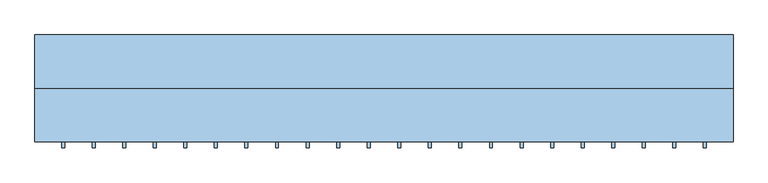
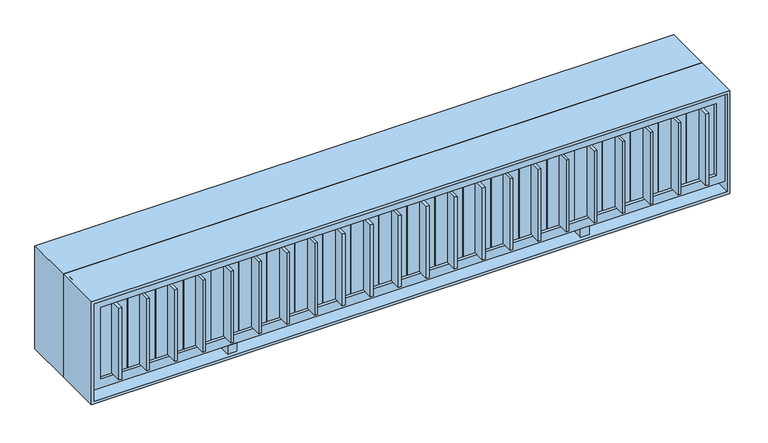
"""IFC4 building model written with IfcOpenShell, lengths in millimetres: window geometry."""

from ifc_helpers import new_model, si_unit, frame, origin, place, context, project, spatial, polyline, outline, extrude, source, transform, mapped, element, save


def window_4b8f0253(model_context):
    return source(origin(), model_context, "Body", "SweptSolid", [
        extrude(outline(polyline([(1630.2272727, -424.65), (1615.2272727, -424.65), (1615.2272727, -275.35), (1630.2272727, -275.35), (1630.2272727, -424.65)])), frame((0.0, 0.0, 915.0), z_axis=(0.0, 0.0, 1.0), x_axis=(1.0, 0.0, 0.0)), (0.0, 0.0, 1.0), 420.0),
        extrude(outline(polyline([(1475.6818182, -424.65), (1460.6818182, -424.65), (1460.6818182, -275.35), (1475.6818182, -275.35), (1475.6818182, -424.65)])), frame((0.0, 0.0, 915.0), z_axis=(0.0, 0.0, 1.0), x_axis=(1.0, 0.0, 0.0)), (0.0, 0.0, 1.0), 420.0),
        extrude(outline(polyline([(1321.1363636, -424.65), (1306.1363636, -424.65), (1306.1363636, -275.35), (1321.1363636, -275.35), (1321.1363636, -424.65)])), frame((0.0, 0.0, 915.0), z_axis=(0.0, 0.0, 1.0), x_axis=(1.0, 0.0, 0.0)), (0.0, 0.0, 1.0), 420.0),
        extrude(outline(polyline([(1166.5909091, -424.65), (1151.5909091, -424.65), (1151.5909091, -275.35), (1166.5909091, -275.35), (1166.5909091, -424.65)])), frame((0.0, 0.0, 915.0), z_axis=(0.0, 0.0, 1.0), x_axis=(1.0, 0.0, 0.0)), (0.0, 0.0, 1.0), 420.0),
        extrude(outline(polyline([(1012.0454545, -424.65), (997.0454545, -424.65), (997.0454545, -275.35), (1012.0454545, -275.35), (1012.0454545, -424.65)])), frame((0.0, 0.0, 915.0), z_axis=(0.0, 0.0, 1.0), x_axis=(1.0, 0.0, 0.0)), (0.0, 0.0, 1.0), 420.0),
        extrude(outline(polyline([(857.5, -424.65), (842.5, -424.65), (842.5, -275.35), (857.5, -275.35), (857.5, -424.65)])), frame((0.0, 0.0, 915.0), z_axis=(0.0, 0.0, 1.0), x_axis=(1.0, 0.0, 0.0)), (0.0, 0.0, 1.0), 420.0),
        extrude(outline(polyline([(702.9545455, -424.65), (687.9545455, -424.65), (687.9545455, -275.35), (702.9545455, -275.35), (702.9545455, -424.65)])), frame((0.0, 0.0, 915.0), z_axis=(0.0, 0.0, 1.0), x_axis=(1.0, 0.0, 0.0)), (0.0, 0.0, 1.0), 420.0),
        extrude(outline(polyline([(548.4090909, -424.65), (533.4090909, -424.65), (533.4090909, -275.35), (548.4090909, -275.35), (548.4090909, -424.65)])), frame((0.0, 0.0, 915.0), z_axis=(0.0, 0.0, 1.0), x_axis=(1.0, 0.0, 0.0)), (0.0, 0.0, 1.0), 420.0),
        extrude(outline(polyline([(393.8636364, -424.65), (378.8636364, -424.65), (378.8636364, -275.35), (393.8636364, -275.35), (393.8636364, -424.65)])), frame((0.0, 0.0, 915.0), z_axis=(0.0, 0.0, 1.0), x_axis=(1.0, 0.0, 0.0)), (0.0, 0.0, 1.0), 420.0),
        extrude(outline(polyline([(239.3181818, -424.65), (224.3181818, -424.65), (224.3181818, -275.35), (239.3181818, -275.35), (239.3181818, -424.65)])), frame((0.0, 0.0, 915.0), z_axis=(0.0, 0.0, 1.0), x_axis=(1.0, 0.0, 0.0)), (0.0, 0.0, 1.0), 420.0),
        extrude(outline(polyline([(84.7727273, -424.65), (69.7727273, -424.65), (69.7727273, -275.35), (84.7727273, -275.35), (84.7727273, -424.65)])), frame((0.0, 0.0, 915.0), z_axis=(0.0, 0.0, 1.0), x_axis=(1.0, 0.0, 0.0)), (0.0, 0.0, 1.0), 420.0),
        extrude(outline(polyline([(-69.7727273, -424.65), (-84.7727273, -424.65), (-84.7727273, -275.35), (-69.7727273, -275.35), (-69.7727273, -424.65)])), frame((0.0, 0.0, 915.0), z_axis=(0.0, 0.0, 1.0), x_axis=(1.0, 0.0, 0.0)), (0.0, 0.0, 1.0), 420.0),
        extrude(outline(polyline([(-224.3181818, -424.65), (-239.3181818, -424.65), (-239.3181818, -275.35), (-224.3181818, -275.35), (-224.3181818, -424.65)])), frame((0.0, 0.0, 915.0), z_axis=(0.0, 0.0, 1.0), x_axis=(1.0, 0.0, 0.0)), (0.0, 0.0, 1.0), 420.0),
        extrude(outline(polyline([(-378.8636364, -424.65), (-393.8636364, -424.65), (-393.8636364, -275.35), (-378.8636364, -275.35), (-378.8636364, -424.65)])), frame((0.0, 0.0, 915.0), z_axis=(0.0, 0.0, 1.0), x_axis=(1.0, 0.0, 0.0)), (0.0, 0.0, 1.0), 420.0),
        extrude(outline(polyline([(-533.4090909, -424.65), (-548.4090909, -424.65), (-548.4090909, -275.35), (-533.4090909, -275.35), (-533.4090909, -424.65)])), frame((0.0, 0.0, 915.0), z_axis=(0.0, 0.0, 1.0), x_axis=(1.0, 0.0, 0.0)), (0.0, 0.0, 1.0), 420.0),
        extrude(outline(polyline([(-687.9545455, -424.65), (-702.9545455, -424.65), (-702.9545455, -275.35), (-687.9545455, -275.35), (-687.9545455, -424.65)])), frame((0.0, 0.0, 915.0), z_axis=(0.0, 0.0, 1.0), x_axis=(1.0, 0.0, 0.0)), (0.0, 0.0, 1.0), 420.0),
        extrude(outline(polyline([(-842.5, -424.65), (-857.5, -424.65), (-857.5, -275.35), (-842.5, -275.35), (-842.5, -424.65)])), frame((0.0, 0.0, 915.0), z_axis=(0.0, 0.0, 1.0), x_axis=(1.0, 0.0, 0.0)), (0.0, 0.0, 1.0), 420.0),
        extrude(outline(polyline([(-997.0454545, -424.65), (-1012.0454545, -424.65), (-1012.0454545, -275.35), (-997.0454545, -275.35), (-997.0454545, -424.65)])), frame((0.0, 0.0, 915.0), z_axis=(0.0, 0.0, 1.0), x_axis=(1.0, 0.0, 0.0)), (0.0, 0.0, 1.0), 420.0),
        extrude(outline(polyline([(-1151.5909091, -424.65), (-1166.5909091, -424.65), (-1166.5909091, -275.35), (-1151.5909091, -275.35), (-1151.5909091, -424.65)])), frame((0.0, 0.0, 915.0), z_axis=(0.0, 0.0, 1.0), x_axis=(1.0, 0.0, 0.0)), (0.0, 0.0, 1.0), 420.0),
        extrude(outline(polyline([(-1306.1363636, -424.65), (-1321.1363636, -424.65), (-1321.1363636, -275.35), (-1306.1363636, -275.35), (-1306.1363636, -424.65)])), frame((0.0, 0.0, 915.0), z_axis=(0.0, 0.0, 1.0), x_axis=(1.0, 0.0, 0.0)), (0.0, 0.0, 1.0), 420.0),
        extrude(outline(polyline([(-1460.6818182, -424.65), (-1475.6818182, -424.65), (-1475.6818182, -275.35), (-1460.6818182, -275.35), (-1460.6818182, -424.65)])), frame((0.0, 0.0, 915.0), z_axis=(0.0, 0.0, 1.0), x_axis=(1.0, 0.0, 0.0)), (0.0, 0.0, 1.0), 420.0),
        extrude(outline(polyline([(-1615.2272727, -424.65), (-1630.2272727, -424.65), (-1630.2272727, -275.35), (-1615.2272727, -275.35), (-1615.2272727, -424.65)])), frame((0.0, 0.0, 915.0), z_axis=(0.0, 0.0, 1.0), x_axis=(1.0, 0.0, 0.0)), (0.0, 0.0, 1.0), 420.0),
        extrude(outline(polyline([(-950.0, -325.0), (-950.0, -375.0), (-1000.0, -375.0), (-1000.0, -325.0), (-950.0, -325.0)])), frame((0.0, 0.0, 815.0), z_axis=(0.0, 0.0, 1.0), x_axis=(1.0, 0.0, 0.0)), (0.0, 0.0, 1.0), 50.0),
        extrude(outline(polyline([(1000.0, -325.0), (1000.0, -375.0), (950.0, -375.0), (950.0, -325.0), (1000.0, -325.0)])), frame((0.0, 0.0, 815.0), z_axis=(0.0, 0.0, 1.0), x_axis=(1.0, 0.0, 0.0)), (0.0, 0.0, 1.0), 50.0),
        extrude(outline(polyline([(1385.0, 1750.0), (1385.0, -1750.0), (865.0, -1750.0), (865.0, 1750.0), (1385.0, 1750.0)]), holes=[polyline([(1335.0, 1700.0), (915.0, 1700.0), (915.0, -1700.0), (1335.0, -1700.0), (1335.0, 1700.0)])]), frame((0.0, -375.0, 0.0), z_axis=(0.0, 1.0, 0.0), x_axis=(0.0, 0.0, 1.0)), (0.0, 0.0, 1.0), 50.0),
        extrude(outline(polyline([(1697.3772727, -357.5), (1548.0772727, -357.5), (1548.0772727, -342.5), (1697.3772727, -342.5), (1697.3772727, -357.5)])), frame((0.0, 0.0, 915.0), z_axis=(0.0, 0.0, 1.0), x_axis=(1.0, 0.0, 0.0)), (0.0, 0.0, 1.0), 420.0),
        extrude(outline(polyline([(1542.8318182, -357.5), (1393.5318182, -357.5), (1393.5318182, -342.5), (1542.8318182, -342.5), (1542.8318182, -357.5)])), frame((0.0, 0.0, 915.0), z_axis=(0.0, 0.0, 1.0), x_axis=(1.0, 0.0, 0.0)), (0.0, 0.0, 1.0), 420.0),
        extrude(outline(polyline([(1388.2863636, -357.5), (1238.9863636, -357.5), (1238.9863636, -342.5), (1388.2863636, -342.5), (1388.2863636, -357.5)])), frame((0.0, 0.0, 915.0), z_axis=(0.0, 0.0, 1.0), x_axis=(1.0, 0.0, 0.0)), (0.0, 0.0, 1.0), 420.0),
        extrude(outline(polyline([(1233.7409091, -357.5), (1084.4409091, -357.5), (1084.4409091, -342.5), (1233.7409091, -342.5), (1233.7409091, -357.5)])), frame((0.0, 0.0, 915.0), z_axis=(0.0, 0.0, 1.0), x_axis=(1.0, 0.0, 0.0)), (0.0, 0.0, 1.0), 420.0),
        extrude(outline(polyline([(1079.1954545, -357.5), (929.8954545, -357.5), (929.8954545, -342.5), (1079.1954545, -342.5), (1079.1954545, -357.5)])), frame((0.0, 0.0, 915.0), z_axis=(0.0, 0.0, 1.0), x_axis=(1.0, 0.0, 0.0)), (0.0, 0.0, 1.0), 420.0),
        extrude(outline(polyline([(924.65, -357.5), (775.35, -357.5), (775.35, -342.5), (924.65, -342.5), (924.65, -357.5)])), frame((0.0, 0.0, 915.0), z_axis=(0.0, 0.0, 1.0), x_axis=(1.0, 0.0, 0.0)), (0.0, 0.0, 1.0), 420.0),
        extrude(outline(polyline([(770.1045455, -357.5), (620.8045455, -357.5), (620.8045455, -342.5), (770.1045455, -342.5), (770.1045455, -357.5)])), frame((0.0, 0.0, 915.0), z_axis=(0.0, 0.0, 1.0), x_axis=(1.0, 0.0, 0.0)), (0.0, 0.0, 1.0), 420.0),
        extrude(outline(polyline([(615.5590909, -357.5), (466.2590909, -357.5), (466.2590909, -342.5), (615.5590909, -342.5), (615.5590909, -357.5)])), frame((0.0, 0.0, 915.0), z_axis=(0.0, 0.0, 1.0), x_axis=(1.0, 0.0, 0.0)), (0.0, 0.0, 1.0), 420.0),
        extrude(outline(polyline([(461.0136364, -357.5), (311.7136364, -357.5), (311.7136364, -342.5), (461.0136364, -342.5), (461.0136364, -357.5)])), frame((0.0, 0.0, 915.0), z_axis=(0.0, 0.0, 1.0), x_axis=(1.0, 0.0, 0.0)), (0.0, 0.0, 1.0), 420.0),
        extrude(outline(polyline([(306.4681818, -357.5), (157.1681818, -357.5), (157.1681818, -342.5), (306.4681818, -342.5), (306.4681818, -357.5)])), frame((0.0, 0.0, 915.0), z_axis=(0.0, 0.0, 1.0), x_axis=(1.0, 0.0, 0.0)), (0.0, 0.0, 1.0), 420.0),
        extrude(outline(polyline([(151.9227273, -357.5), (2.6227273, -357.5), (2.6227273, -342.5), (151.9227273, -342.5), (151.9227273, -357.5)])), frame((0.0, 0.0, 915.0), z_axis=(0.0, 0.0, 1.0), x_axis=(1.0, 0.0, 0.0)), (0.0, 0.0, 1.0), 420.0),
        extrude(outline(polyline([(-2.6227273, -357.5), (-151.9227273, -357.5), (-151.9227273, -342.5), (-2.6227273, -342.5), (-2.6227273, -357.5)])), frame((0.0, 0.0, 915.0), z_axis=(0.0, 0.0, 1.0), x_axis=(1.0, 0.0, 0.0)), (0.0, 0.0, 1.0), 420.0),
        extrude(outline(polyline([(-157.1681818, -357.5), (-306.4681818, -357.5), (-306.4681818, -342.5), (-157.1681818, -342.5), (-157.1681818, -357.5)])), frame((0.0, 0.0, 915.0), z_axis=(0.0, 0.0, 1.0), x_axis=(1.0, 0.0, 0.0)), (0.0, 0.0, 1.0), 420.0),
        extrude(outline(polyline([(-311.7136364, -357.5), (-461.0136364, -357.5), (-461.0136364, -342.5), (-311.7136364, -342.5), (-311.7136364, -357.5)])), frame((0.0, 0.0, 915.0), z_axis=(0.0, 0.0, 1.0), x_axis=(1.0, 0.0, 0.0)), (0.0, 0.0, 1.0), 420.0),
        extrude(outline(polyline([(-466.2590909, -357.5), (-615.5590909, -357.5), (-615.5590909, -342.5), (-466.2590909, -342.5), (-466.2590909, -357.5)])), frame((0.0, 0.0, 915.0), z_axis=(0.0, 0.0, 1.0), x_axis=(1.0, 0.0, 0.0)), (0.0, 0.0, 1.0), 420.0),
        extrude(outline(polyline([(-620.8045455, -357.5), (-770.1045455, -357.5), (-770.1045455, -342.5), (-620.8045455, -342.5), (-620.8045455, -357.5)])), frame((0.0, 0.0, 915.0), z_axis=(0.0, 0.0, 1.0), x_axis=(1.0, 0.0, 0.0)), (0.0, 0.0, 1.0), 420.0),
        extrude(outline(polyline([(-775.35, -357.5), (-924.65, -357.5), (-924.65, -342.5), (-775.35, -342.5), (-775.35, -357.5)])), frame((0.0, 0.0, 915.0), z_axis=(0.0, 0.0, 1.0), x_axis=(1.0, 0.0, 0.0)), (0.0, 0.0, 1.0), 420.0),
        extrude(outline(polyline([(-929.8954545, -357.5), (-1079.1954545, -357.5), (-1079.1954545, -342.5), (-929.8954545, -342.5), (-929.8954545, -357.5)])), frame((0.0, 0.0, 915.0), z_axis=(0.0, 0.0, 1.0), x_axis=(1.0, 0.0, 0.0)), (0.0, 0.0, 1.0), 420.0),
        extrude(outline(polyline([(-1084.4409091, -357.5), (-1233.7409091, -357.5), (-1233.7409091, -342.5), (-1084.4409091, -342.5), (-1084.4409091, -357.5)])), frame((0.0, 0.0, 915.0), z_axis=(0.0, 0.0, 1.0), x_axis=(1.0, 0.0, 0.0)), (0.0, 0.0, 1.0), 420.0),
        extrude(outline(polyline([(-1238.9863636, -357.5), (-1388.2863636, -357.5), (-1388.2863636, -342.5), (-1238.9863636, -342.5), (-1238.9863636, -357.5)])), frame((0.0, 0.0, 915.0), z_axis=(0.0, 0.0, 1.0), x_axis=(1.0, 0.0, 0.0)), (0.0, 0.0, 1.0), 420.0),
        extrude(outline(polyline([(-1393.5318182, -357.5), (-1542.8318182, -357.5), (-1542.8318182, -342.5), (-1393.5318182, -342.5), (-1393.5318182, -357.5)])), frame((0.0, 0.0, 915.0), z_axis=(0.0, 0.0, 1.0), x_axis=(1.0, 0.0, 0.0)), (0.0, 0.0, 1.0), 420.0),
        extrude(outline(polyline([(-1548.0772727, -357.5), (-1697.3772727, -357.5), (-1697.3772727, -342.5), (-1548.0772727, -342.5), (-1548.0772727, -357.5)])), frame((0.0, 0.0, 915.0), z_axis=(0.0, 0.0, 1.0), x_axis=(1.0, 0.0, 0.0)), (0.0, 0.0, 1.0), 420.0),
        extrude(outline(polyline([(-950.0, -325.0), (-950.0, -375.0), (-1000.0, -375.0), (-1000.0, -325.0), (-950.0, -325.0)])), frame((0.0, 0.0, 815.0), z_axis=(0.0, 0.0, 1.0), x_axis=(1.0, 0.0, 0.0)), (0.0, 0.0, 1.0), 50.0),
        extrude(outline(polyline([(1000.0, -325.0), (1000.0, -375.0), (950.0, -375.0), (950.0, -325.0), (1000.0, -325.0)])), frame((0.0, 0.0, 815.0), z_axis=(0.0, 0.0, 1.0), x_axis=(1.0, 0.0, 0.0)), (0.0, 0.0, 1.0), 50.0),
        extrude(outline(polyline([(1385.0, 1750.0), (1385.0, -1750.0), (865.0, -1750.0), (865.0, 1750.0), (1385.0, 1750.0)]), holes=[polyline([(1335.0, 1700.0), (915.0, 1700.0), (915.0, -1700.0), (1335.0, -1700.0), (1335.0, 1700.0)])]), frame((0.0, -375.0, 0.0), z_axis=(0.0, 1.0, 0.0), x_axis=(0.0, 0.0, 1.0)), (0.0, 0.0, 1.0), 50.0),
        extrude(outline(polyline([(1325.0, 1690.0), (1325.0, 1150.0), (875.0, 1150.0), (875.0, 1690.0), (1325.0, 1690.0)]), holes=[polyline([(1265.0, 1630.0), (935.0, 1630.0), (935.0, 1210.0), (1265.0, 1210.0), (1265.0, 1630.0)])]), frame((0.0, -185.0, 0.0), z_axis=(0.0, 1.0, 0.0), x_axis=(0.0, 0.0, 1.0)), (0.0, 0.0, 1.0), 60.0),
        extrude(outline(polyline([(1325.0, -1150.0), (1325.0, -1690.0), (875.0, -1690.0), (875.0, -1150.0), (1325.0, -1150.0)]), holes=[polyline([(1265.0, -1210.0), (935.0, -1210.0), (935.0, -1630.0), (1265.0, -1630.0), (1265.0, -1210.0)])]), frame((0.0, -185.0, 0.0), z_axis=(0.0, 1.0, 0.0), x_axis=(0.0, 0.0, 1.0)), (0.0, 0.0, 1.0), 60.0),
        extrude(outline(polyline([(1400.0, 1765.0), (1400.0, -1765.0), (800.0, -1765.0), (800.0, 1765.0), (1400.0, 1765.0)]), holes=[polyline([(815.0, 1750.0), (815.0, -1750.0), (1385.0, -1750.0), (1385.0, 1750.0), (815.0, 1750.0)])]), frame((0.0, -125.0, 0.0), z_axis=(0.0, 1.0, 0.0), x_axis=(0.0, 0.0, 1.0)), (0.0, 0.0, 1.0), 270.0),
        extrude(outline(polyline([(1400.0, -1765.0), (800.0, -1765.0), (800.0, 1765.0), (1400.0, 1765.0), (1400.0, -1765.0)]), holes=[polyline([(815.0, 1750.0), (815.0, -1750.0), (1385.0, -1750.0), (1385.0, 1750.0), (815.0, 1750.0)])]), frame((0.0, -395.0, 0.0), z_axis=(0.0, 1.0, 0.0), x_axis=(0.0, 0.0, 1.0)), (0.0, 0.0, 1.0), 270.0),
        extrude(outline(polyline([(-30.0, -140.0), (-30.0, -170.0), (-1090.0, -170.0), (-1090.0, -140.0), (-30.0, -140.0)])), frame((0.0, 0.0, 875.0), z_axis=(0.0, 0.0, 1.0), x_axis=(1.0, 0.0, 0.0)), (0.0, 0.0, 1.0), 450.0),
        extrude(outline(polyline([(1630.0, -140.0), (1630.0, -170.0), (1210.0, -170.0), (1210.0, -140.0), (1630.0, -140.0)])), frame((0.0, 0.0, 935.0), z_axis=(0.0, 0.0, 1.0), x_axis=(1.0, 0.0, 0.0)), (0.0, 0.0, 1.0), 330.0),
        extrude(outline(polyline([(-1210.0, -140.0), (-1210.0, -170.0), (-1630.0, -170.0), (-1630.0, -140.0), (-1210.0, -140.0)])), frame((0.0, 0.0, 935.0), z_axis=(0.0, 0.0, 1.0), x_axis=(1.0, 0.0, 0.0)), (0.0, 0.0, 1.0), 330.0),
        extrude(outline(polyline([(1090.0, -140.0), (1090.0, -170.0), (30.0, -170.0), (30.0, -140.0), (1090.0, -140.0)])), frame((0.0, 0.0, 875.0), z_axis=(0.0, 0.0, 1.0), x_axis=(1.0, 0.0, 0.0)), (0.0, 0.0, 1.0), 450.0),
        extrude(outline(polyline([(1400.0, -1750.0), (800.0, -1750.0), (800.0, 1750.0), (1400.0, 1750.0), (1400.0, -1750.0)]), holes=[polyline([(875.0, -30.0), (875.0, -1090.0), (1325.0, -1090.0), (1325.0, -30.0), (875.0, -30.0)]), polyline([(1325.0, 1150.0), (1325.0, 1690.0), (875.0, 1690.0), (875.0, 1150.0), (1325.0, 1150.0)]), polyline([(1325.0, -1690.0), (1325.0, -1150.0), (875.0, -1150.0), (875.0, -1690.0), (1325.0, -1690.0)]), polyline([(1325.0, 30.0), (1325.0, 1090.0), (875.0, 1090.0), (875.0, 30.0), (1325.0, 30.0)])]), frame((0.0, -185.0, 0.0), z_axis=(0.0, 1.0, 0.0), x_axis=(0.0, 0.0, 1.0)), (0.0, 0.0, 1.0), 60.0),
    ])


if __name__ == "__main__":
    model = new_model("IFC4")
    model_context = context("Model", 3, world=origin())
    ifc_project = project(units=[si_unit("LENGTHUNIT", "METRE", prefix="MILLI")], contexts=[model_context])
    site = spatial("IfcSite", under=ifc_project)
    building = spatial("IfcBuilding", under=site)
    placement = place(None, origin())
    window_shape = window_4b8f0253(model_context)
    element("IfcWindow", 1, at=placement, inside=building, context=model_context, shape_type="MappedRepresentation", body=[
        mapped(window_shape, transform((0.0, 0.0, 0.0), x_axis=(1.0, 0.0, 0.0), y_axis=(0.0, 1.0, 0.0), z_axis=(0.0, 0.0, 1.0))),
    ])
    save(model, "model.ifc")
